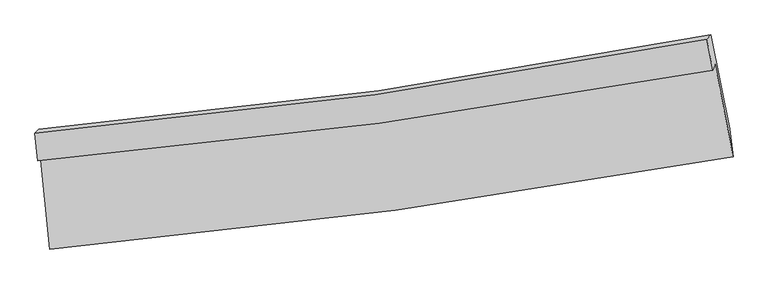
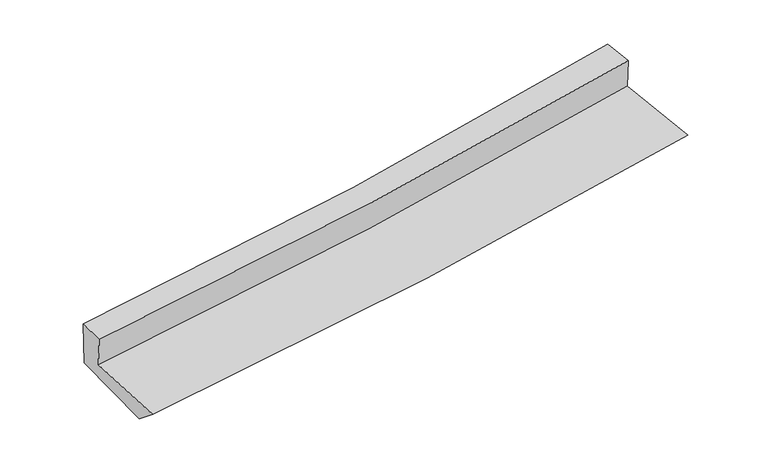
"""IFC4 building model written with IfcOpenShell, lengths in millimetres: proxy geometry."""

from ifc_helpers import new_model, si_unit, frame, origin, place, context, project, spatial, source, transform, mapped, element, save
from ifc_brep_helpers import plane_surface, spline_curve, spline_surface, advanced_brep


def generic_models_fecdb29f(model_context):
    return source(origin(), model_context, "Body", "AdvancedBrep", [
        advanced_brep(
        [(-2303.6151791, -1812.1490161, 1752.1873807), (-2238.1589363, -2443.3609318, 1695.8339847), (2361.7911954, -1820.6086305, 2051.1241134), (2240.6108295, -1200.355167, 2127.7052301), (-2318.5107463, -1849.8637085, 1992.736959), (2226.1804528, -1238.2182323, 2368.2643797), (-2338.311776, -1664.4125072, 2016.6847347), (2185.4779344, -1029.8851595, 2393.9867341), (-2313.8076129, -1636.908874, 1664.3356898), (2212.0091654, -1001.823654, 2037.7792901), (-2244.0281803, -2272.2253577, 1557.0655371), (2337.8373249, -1634.2915491, 1934.2830085)],
        [
            (0, 1),
            (1, 2, spline_curve(3, [(-2238.1589363, -2443.3609318, 1695.8339847), (-1460.666534663, -2374.838786058, 1750.474116834), (-685.563650574, -2288.125842564, 1807.657035069), (847.678294391, -2079.972570228, 1926.16663926), (1605.892120924, -1959.10141313, 1987.413763937), (2361.7911954, -1820.6086305, 2051.1241134)], [4, 2, 4], [0.0, 7.654691732504825, 15.188677907942722])),
            (2, 3),
            (3, 0, spline_curve(3, [(2240.6108295, -1200.355167, 2127.7052301), (1494.324278833, -1336.787894622, 2062.315279375), (745.525072785, -1455.722091116, 1998.562722453), (-769.135772179, -1660.218570268, 1873.33721852), (-1535.078569044, -1745.215656996, 1811.917159213), (-2303.6151791, -1812.1490161, 1752.1873807)], [4, 2, 4], [0.0, 7.533986175437897, 15.188677907942722])),
            (4, 0),
            (3, 5),
            (5, 4, spline_curve(3, [(2226.1804528, -1238.2182323, 2368.2643797), (1479.799528286, -1374.560732322, 2302.880662032), (730.914608471, -1493.437287767, 2239.130461255), (-783.901579992, -1697.883256809, 2113.901892562), (-1549.913726348, -1782.888526736, 2052.476286399), (-2318.5107463, -1849.8637085, 1992.736959)], [4, 2, 4], [0.0, 7.489673351599013, 15.099342303548532])),
            (6, 4),
            (5, 7),
            (7, 6, spline_curve(3, [(2185.4779344, -1029.8851595, 2393.9867341), (1443.850636081, -1175.004616438, 2327.713650242), (699.075634523, -1300.181161604, 2263.369691918), (-808.752599448, -1512.334426427, 2137.540048716), (-1571.90750107, -1598.666997164, 2076.116673905), (-2338.311776, -1664.4125072, 2016.6847347)], [4, 2, 4], [0.0, 7.476253183130218, 15.07228695574243])),
            (8, 6),
            (7, 9),
            (9, 8, spline_curve(3, [(2212.0091654, -1001.823654, 2037.7792901), (1469.922204309, -1147.165196998, 1973.602933221), (724.74929648, -1272.499420889, 1910.632113052), (-783.756621208, -1484.840723492, 1786.111974512), (-1547.189306393, -1571.201572636, 1724.601594628), (-2313.8076129, -1636.908874, 1664.3356898)], [4, 2, 4], [0.0, 7.4639637885972965, 15.047511272472299])),
            (10, 8),
            (9, 11),
            (11, 10, spline_curve(3, [(2337.8373249, -1634.2915491, 1934.2830085), (1584.661241694, -1772.478075698, 1870.728192185), (829.302924666, -1894.439985472, 1807.761101382), (-697.915091638, -2107.608637316, 1682.002960888), (-1469.845276554, -2198.291330647, 1619.230894825), (-2244.0281803, -2272.2253577, 1557.0655371)], [4, 2, 4], [0.0, 7.510381007918028, 15.14108938334585])),
            (1, 10),
            (11, 2),
        ],
        [
            spline_surface(3, 3, [[(-2303.6151791, -1812.1490161, 1752.1873807), (-1535.078569116, -1745.215656913, 1811.917159312), (-769.135772216, -1660.218570282, 1873.337218637), (745.525072821, -1455.722091102, 1998.562722338), (1494.324278762, -1336.787894689, 2062.315279433), (2240.6108295, -1200.355167, 2127.7052301)], [(-2281.79643148, -2022.552988004, 1733.402915395), (-1510.274557617, -1955.090033295, 1791.436145173), (-741.278398338, -1869.520994394, 1851.443824139), (779.576146656, -1663.805584112, 1974.430694655), (1531.513559441, -1544.225734168, 2037.348107574), (2281.004284787, -1407.1063215, 2102.178191188)], [(-2259.97768392, -2232.956959896, 1714.618450005), (-1485.470546176, -2164.964409666, 1770.955130951), (-713.421024423, -2078.823418528, 1829.55042959), (813.627220528, -1871.889077144, 1950.298666921), (1568.702840158, -1751.663573646, 2012.38093575), (2321.397740113, -1613.857476, 2076.651152312)], [(-2238.1589363, -2443.3609318, 1695.8339847), (-1460.666534677, -2374.838786048, 1750.474116813), (-685.563650545, -2288.12584264, 1807.657035092), (847.678294363, -2079.972570154, 1926.166639238), (1605.892120837, -1959.101413125, 1987.413763891), (2361.7911954, -1820.6086305, 2051.1241134)]], [4, 4], [4, 2, 4], [0.0, 2.088857127430755], [0.0, 7.654691732504825, 15.188677907942722]),
            spline_surface(3, 3, [[(-2318.5107463, -1849.8637085, 1992.736959), (-1549.91372626, -1782.888526742, 2052.476286365), (-783.901579872, -1697.883256796, 2113.901892452), (730.914608353, -1493.43728778, 2239.130461363), (1479.79952834, -1374.560732326, 2302.88066214), (2226.1804528, -1238.2182323, 2368.2643797)], [(-2313.545557241, -1837.292144364, 1912.55376623), (-1544.968673887, -1770.330903463, 1972.289910678), (-778.979643983, -1685.328361315, 2033.713667841), (735.784763179, -1480.865555578, 2158.941215016), (1484.641111823, -1361.96978645, 2222.692201239), (2230.990578376, -1225.597210536, 2288.077996502)], [(-2308.580368159, -1824.720580236, 1832.37057347), (-1540.02362149, -1757.773280191, 1892.103535), (-774.057708104, -1672.773465764, 1953.525443248), (740.654917995, -1468.293823305, 2078.751968686), (1489.482695278, -1349.378840565, 2142.503740334), (2235.800703924, -1212.976188764, 2207.891613298)], [(-2303.6151791, -1812.1490161, 1752.1873807), (-1535.078569116, -1745.215656913, 1811.917159312), (-769.135772216, -1660.218570282, 1873.337218637), (745.525072821, -1455.722091102, 1998.562722338), (1494.324278762, -1336.787894689, 2062.315279433), (2240.6108295, -1200.355167, 2127.7052301)]], [4, 4], [4, 2, 4], [0.0, 0.8003391357143003], [0.0, 7.609668951949519, 15.099342303548532]),
            spline_surface(3, 3, [[(-2338.311776, -1664.4125072, 2016.6847347), (-1571.907501183, -1598.666997061, 2076.116673881), (-808.752599356, -1512.334426336, 2137.540048737), (699.075634432, -1300.181161694, 2263.369691896), (1443.850636093, -1175.004616505, 2327.71365022), (2185.4779344, -1029.8851595, 2393.9867341)], [(-2331.711432787, -1726.229574307, 2008.702142779), (-1564.576242896, -1660.074173628, 2068.236544688), (-800.468926179, -1574.184036473, 2129.660663323), (709.688625755, -1364.599870373, 2255.289948399), (1455.833600162, -1241.523321779, 2319.435987547), (2199.04544052, -1099.3295171, 2385.412615987)], [(-2325.111089513, -1788.046641393, 2000.719550921), (-1557.244984548, -1721.481350175, 2060.356415559), (-792.185253049, -1636.033646659, 2121.781277867), (720.30161703, -1429.018579101, 2247.210204861), (1467.816564271, -1308.042027052, 2311.158324813), (2212.61294668, -1168.7738747, 2376.838497813)], [(-2318.5107463, -1849.8637085, 1992.736959), (-1549.91372626, -1782.888526742, 2052.476286365), (-783.901579872, -1697.883256796, 2113.901892452), (730.914608353, -1493.43728778, 2239.130461363), (1479.79952834, -1374.560732326, 2302.88066214), (2226.1804528, -1238.2182323, 2368.2643797)]], [4, 4], [4, 2, 4], [0.0, 0.6329846168522308], [0.0, 7.596033772612211, 15.07228695574243]),
            spline_surface(3, 3, [[(-2313.8076129, -1636.908874, 1664.3356898), (-1547.189306342, -1571.201572695, 1724.6015947), (-783.75662127, -1484.840723401, 1786.111974543), (724.749296541, -1272.499420979, 1910.632113022), (1469.922204257, -1147.165196965, 1973.602933296), (2212.0091654, -1001.823654, 2037.7792901)], [(-2321.975667257, -1646.07675172, 1781.78537144), (-1555.428704613, -1580.356714137, 1841.773287767), (-792.088613967, -1494.005291048, 1903.254665942), (716.19140917, -1281.726667886, 2028.21130598), (1461.231681544, -1156.445003484, 2091.639838931), (2203.165421742, -1011.177489172, 2156.51510476)], [(-2330.143721643, -1655.24462948, 1899.23505306), (-1563.668102912, -1589.511855619, 1958.944980813), (-800.420606658, -1503.169858689, 2020.397357339), (707.633521804, -1290.953914787, 2145.790498937), (1452.541158806, -1165.724809987, 2209.676744585), (2194.321678058, -1020.531324328, 2275.25091944)], [(-2338.311776, -1664.4125072, 2016.6847347), (-1571.907501183, -1598.666997061, 2076.116673881), (-808.752599356, -1512.334426336, 2137.540048737), (699.075634432, -1300.181161694, 2263.369691896), (1443.850636093, -1175.004616505, 2327.71365022), (2185.4779344, -1029.8851595, 2393.9867341)]], [4, 4], [4, 2, 4], [0.0, 1.161610396083387], [0.0, 7.5835474838750025, 15.047511272472299]),
            spline_surface(3, 3, [[(-2244.0281803, -2272.2253577, 1557.0655371), (-1469.845276544, -2198.291330732, 1619.230894708), (-697.915091681, -2107.608637425, 1682.002960909), (829.302924708, -1894.439985364, 1807.761101362), (1584.661241577, -1772.478075807, 1870.728192281), (2337.8373249, -1634.2915491, 1934.2830085)], [(-2267.287991174, -2060.453196463, 1592.822254681), (-1495.626619817, -1989.261411383, 1654.354461386), (-726.528934906, -1900.019332741, 1716.70596543), (794.451715291, -1687.126463893, 1842.051438558), (1546.414895785, -1564.040449512, 1905.019772617), (2295.894605048, -1423.468917386, 1968.781769031)], [(-2290.547802026, -1848.681035237, 1628.578972219), (-1521.407963069, -1780.231492044, 1689.478028022), (-755.142778045, -1692.430028085, 1751.408970022), (759.600505959, -1479.812942451, 1876.341775825), (1508.168550049, -1355.60282326, 1939.31135296), (2253.951885252, -1212.646285714, 2003.280529569)], [(-2313.8076129, -1636.908874, 1664.3356898), (-1547.189306342, -1571.201572695, 1724.6015947), (-783.75662127, -1484.840723401, 1786.111974543), (724.749296541, -1272.499420979, 1910.632113022), (1469.922204257, -1147.165196965, 1973.602933296), (2212.0091654, -1001.823654, 2037.7792901)]], [4, 4], [4, 2, 4], [0.0, 2.093269582614965], [0.0, 7.630708375427822, 15.14108938334585]),
            spline_surface(3, 3, [[(-2238.1589363, -2443.3609318, 1695.8339847), (-1460.666534677, -2374.838786048, 1750.474116813), (-685.563650545, -2288.12584264, 1807.657035092), (847.678294363, -2079.972570154, 1926.166639238), (1605.892120837, -1959.101413125, 1987.413763891), (2361.7911954, -1820.6086305, 2051.1241134)], [(-2240.11535096, -2386.315740442, 1649.577835475), (-1463.726115293, -2315.989634285, 1706.726376086), (-689.680797566, -2227.95344091, 1765.772343696), (841.553171169, -2018.128375232, 1886.69812661), (1598.815161111, -1896.893634024, 1948.518573353), (2353.806571927, -1758.502936705, 2012.177078432)], [(-2242.07176564, -2329.270549058, 1603.321686325), (-1466.785695928, -2257.140482495, 1662.978635434), (-693.79794466, -2167.781039156, 1723.887652305), (835.428047902, -1956.284180286, 1847.229613989), (1591.738201303, -1834.685854908, 1909.623382819), (2345.821948373, -1696.397242895, 1973.230043468)], [(-2244.0281803, -2272.2253577, 1557.0655371), (-1469.845276544, -2198.291330732, 1619.230894708), (-697.915091681, -2107.608637425, 1682.002960909), (829.302924708, -1894.439985364, 1807.761101362), (1584.661241577, -1772.478075807, 1870.728192281), (2337.8373249, -1634.2915491, 1934.2830085)]], [4, 4], [4, 2, 4], [0.0, 0.7234487370760013], [0.0, 7.6882451553603115, 15.255255655325662]),
            plane_surface(frame((2260.6511504, -1320.8637321, 2152.1904593), z_axis=(0.9796770527955839, 0.18063554851004188, 0.08719903004182517), x_axis=(-0.07404862649493746, -0.07831962048263533, 0.9941744504671548))),
            plane_surface(frame((-2292.7387385, -1946.4867326, 1779.807381), z_axis=(-0.9924278488883868, -0.09608265776149852, -0.0765185443422475), x_axis=(-0.10274189912652265, 0.9907673911490973, 0.08845382297836103))),
        ],
        [
            (0, [[1, 2, 3, 4]]),
            (1, [[5, -4, 6, 7]]),
            (2, [[8, -7, 9, 10]]),
            (3, [[11, -10, 12, 13]]),
            (4, [[14, -13, 15, 16]]),
            (5, [[17, -16, 18, -2]]),
            (6, [[-12, -9, -6, -3, -18, -15]]),
            (7, [[-1, -5, -8, -11, -14, -17]]),
        ],
    ),
    ])


if __name__ == "__main__":
    model = new_model("IFC4")
    model_context = context("Model", 3, world=origin())
    ifc_project = project(units=[si_unit("LENGTHUNIT", "METRE", prefix="MILLI")], contexts=[model_context])
    site = spatial("IfcSite", under=ifc_project)
    building = spatial("IfcBuilding", under=site)
    placement = place(None, origin())
    generic_models_shape = generic_models_fecdb29f(model_context)
    element("IfcBuildingElementProxy", 1, Name="Generic Models", at=placement, inside=building, context=model_context, shape_type="MappedRepresentation", body=[
        mapped(generic_models_shape, transform((0.0, 0.0, 0.0), x_axis=(1.0, 0.0, 0.0), y_axis=(0.0, 1.0, 0.0), z_axis=(0.0, 0.0, 1.0))),
    ])
    save(model, "model.ifc")
